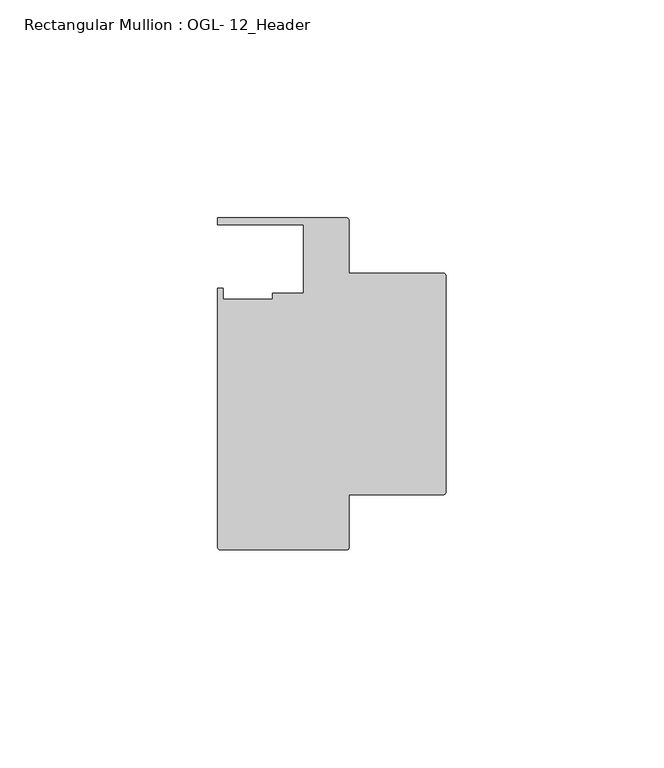
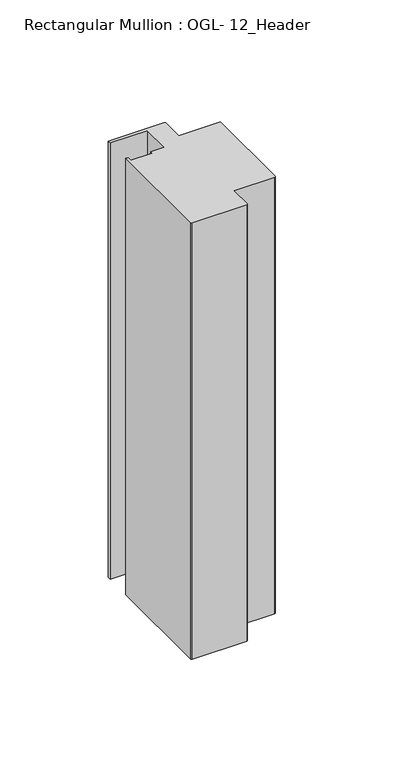
"""IFC4 building model written with IfcOpenShell, lengths in millimetres: member geometry, Rectangular Mullion : OGL- 12_Header."""

from ifc_helpers import new_model, si_unit, point, frame, frame_2d, origin, place, context, project, spatial, polyline, circle_curve, trimmed, segment, composite_curve, outline, extrude, source, transform, mapped, element, save


def rectangular_mullion_ogl_12_header_038b5b08(model_context):
    return source(origin(), model_context, "Body", "SweptSolid", [
        extrude(outline(composite_curve([segment(polyline([(-0.5953125, -25.4), (-22.2332898, -25.4), (-22.2332898, -37.5043667)]), True, "CONTINUOUS"), segment(trimmed(circle_curve(frame_2d((-22.8286023, -37.5043667)), 0.5953125), [point((-22.2332898, -37.5043667))], [point((-22.8286023, -38.0996792))], False, "CARTESIAN"), True, "CONTINUOUS"), segment(polyline([(-22.8286023, -38.0996792), (-51.7968699, -38.0996792)]), True, "CONTINUOUS"), segment(trimmed(circle_curve(frame_2d((-51.7968699, -37.5043667)), 0.5953125), [point((-51.7968699, -38.0996792))], [point((-52.3921824, -37.5043667))], False, "CARTESIAN"), True, "CONTINUOUS"), segment(polyline([(-52.3921824, -37.5043667), (-52.3921824, 21.9710976), (-51.1362531, 21.9710976), (-51.1362531, 19.4824275), (-39.7567771, 19.4824275), (-39.7567771, 20.8257348), (-32.730302, 20.8257348), (-32.730302, 36.512516), (-52.3830881, 36.512516), (-52.3830881, 38.100016), (-22.8763468, 38.100016)]), True, "CONTINUOUS"), segment(trimmed(circle_curve(frame_2d((-22.8763468, 37.456959)), 0.643057), [point((-22.8763468, 38.100016))], [point((-22.2332898, 37.456959))], False, "CARTESIAN"), True, "CONTINUOUS"), segment(polyline([(-22.2332898, 37.456959), (-22.2332898, 25.4), (-0.5953125, 25.4)]), True, "CONTINUOUS"), segment(trimmed(circle_curve(frame_2d((-0.5953125, 24.8046875)), 0.5953125), [point((-0.5953125, 25.4))], [point((0.0, 24.8046875))], False, "CARTESIAN"), True, "CONTINUOUS"), segment(polyline([(0.0, 24.8046875), (0.0, -24.8046875)]), True, "CONTINUOUS"), segment(trimmed(circle_curve(frame_2d((-0.5953125, -24.8046875)), 0.5953125), [point((0.0, -24.8046875))], [point((-0.5953125, -25.4))], False, "CARTESIAN"), True, "CONTINUOUS")], self_intersect=False)), frame((0.0, 0.0, -245.665625), z_axis=(0.0, 0.0, 1.0), x_axis=(1.0, 0.0, 0.0)), (0.0, 0.0, 1.0), 245.665625),
    ])


if __name__ == "__main__":
    model = new_model("IFC4")
    model_context = context("Model", 3, world=origin())
    ifc_project = project(units=[si_unit("LENGTHUNIT", "METRE", prefix="MILLI")], contexts=[model_context])
    site = spatial("IfcSite", under=ifc_project)
    building = spatial("IfcBuilding", under=site)
    placement = place(None, origin())
    rectangular_mullion_ogl_12_header_shape = rectangular_mullion_ogl_12_header_038b5b08(model_context)
    element("IfcMember", 1, ObjectType="Rectangular Mullion : OGL- 12_Header", at=placement, inside=building, context=model_context, shape_type="MappedRepresentation", body=[
        mapped(rectangular_mullion_ogl_12_header_shape, transform((0.0, 0.0, 0.0), x_axis=(1.0, 0.0, 0.0), y_axis=(0.0, 1.0, 0.0), z_axis=(0.0, 0.0, 1.0))),
    ])
    save(model, "model.ifc")
